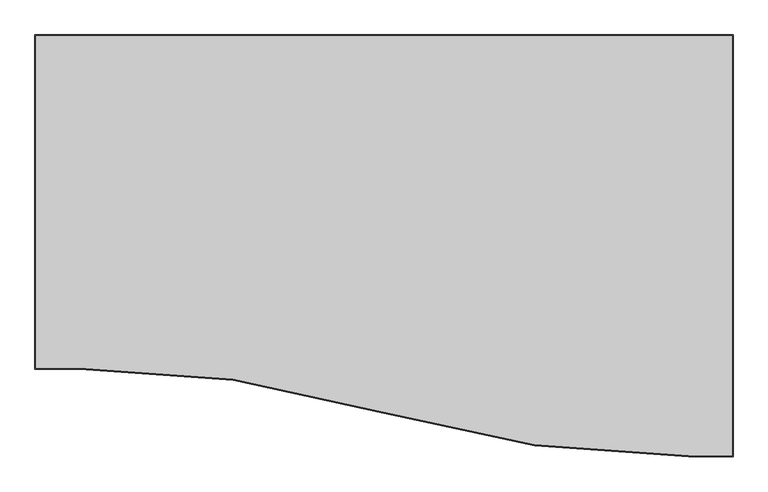
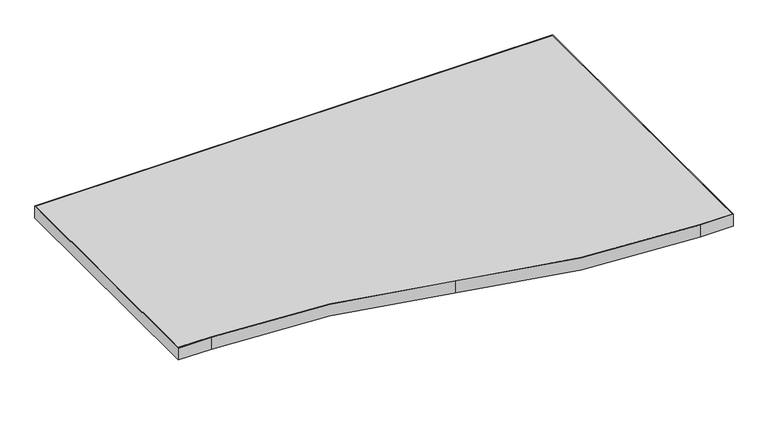
"""IFC4 building model written with IfcOpenShell, lengths in millimetres: furniture geometry."""

from ifc_helpers import new_model, si_unit, point, frame, frame_2d, origin, place, context, project, spatial, polyline, circle_curve, trimmed, segment, composite_curve, outline, extrude, source, transform, mapped, element, save


def furniture_f6c1187f(model_context):
    return source(origin(), model_context, "Body", "SweptSolid", [
        extrude(outline(composite_curve([segment(polyline([(752.0035996, 782.6912812), (752.0035996, 49.2916812), (675.8123703, 49.2916812)]), True, "CONTINUOUS"), segment(trimmed(circle_curve(frame_2d((675.8123703, 1943.6850928)), 1894.3934117), [point((675.8123703, 49.2916812))], [point((143.9275996, 125.4923118))], False, "CARTESIAN"), True, "CONTINUOUS"), segment(trimmed(circle_curve(frame_2d((-387.9483669, -1692.6703733)), 1894.3620545), [point((143.9275996, 125.4923118))], [point((-387.9483669, 201.6916812))], True, "CARTESIAN"), True, "CONTINUOUS"), segment(polyline([(-387.9483669, 201.6916812), (-464.1484004, 201.6916812), (-464.1484004, 782.6912812), (752.0035996, 782.6912812)]), True, "CONTINUOUS")], self_intersect=False)), frame((0.0, 0.0, 707.009), z_axis=(0.0, 0.0, 1.0), x_axis=(1.0, 0.0, 0.0)), (0.0, 0.0, 1.0), 29.591),
        extrude(outline(composite_curve([segment(polyline([(753.5910996, 784.2787812), (753.5910996, 47.7041812), (675.8123703, 47.7041812)]), True, "CONTINUOUS"), segment(trimmed(circle_curve(frame_2d((675.8123703, 1943.6850928)), 1895.9809117), [point((675.8123703, 47.7041812))], [point((143.4818807, 123.9686679))], False, "CARTESIAN"), True, "CONTINUOUS"), segment(trimmed(circle_curve(frame_2d((-387.9483669, -1692.6703733)), 1892.7745545), [point((143.4818807, 123.9686679))], [point((-387.9483669, 200.1041812))], True, "CARTESIAN"), True, "CONTINUOUS"), segment(polyline([(-387.9483669, 200.1041812), (-465.7359004, 200.1041812), (-465.7359004, 784.2787812), (753.5910996, 784.2787812)]), True, "CONTINUOUS")], self_intersect=False), holes=[composite_curve([segment(trimmed(circle_curve(frame_2d((675.8123703, 1943.6850928)), 1894.3934117), [point((143.9275996, 125.4923118))], [point((675.8123703, 49.2916812))], True, "CARTESIAN"), True, "CONTINUOUS"), segment(polyline([(675.8123703, 49.2916812), (752.0035996, 49.2916812), (752.0035996, 782.6912812), (-464.1484004, 782.6912812), (-464.1484004, 201.6916812), (-387.9483669, 201.6916812)]), True, "CONTINUOUS"), segment(trimmed(circle_curve(frame_2d((-387.9483669, -1692.6703733)), 1894.3620545), [point((-387.9483669, 201.6916812))], [point((143.9275996, 125.4923118))], False, "CARTESIAN"), True, "CONTINUOUS")], self_intersect=False)]), frame((0.0, 0.0, 707.009), z_axis=(0.0, 0.0, 1.0), x_axis=(1.0, 0.0, 0.0)), (0.0, 0.0, 1.0), 29.591),
    ])


if __name__ == "__main__":
    model = new_model("IFC4")
    model_context = context("Model", 3, world=origin())
    ifc_project = project(units=[si_unit("LENGTHUNIT", "METRE", prefix="MILLI")], contexts=[model_context])
    site = spatial("IfcSite", under=ifc_project)
    building = spatial("IfcBuilding", under=site)
    placement = place(None, origin())
    furniture_shape = furniture_f6c1187f(model_context)
    element("IfcFurniture", 1, at=placement, inside=building, context=model_context, shape_type="MappedRepresentation", body=[
        mapped(furniture_shape, transform((0.0, 0.0, 0.0), x_axis=(1.0, 0.0, 0.0), y_axis=(0.0, 1.0, 0.0), z_axis=(0.0, 0.0, 1.0))),
    ])
    save(model, "model.ifc")
